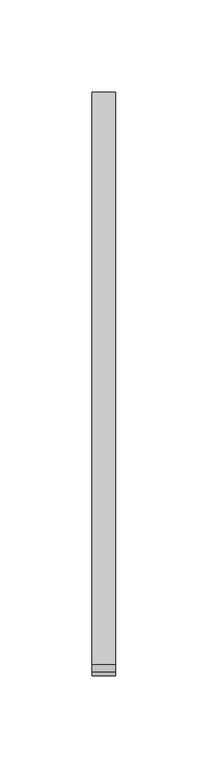
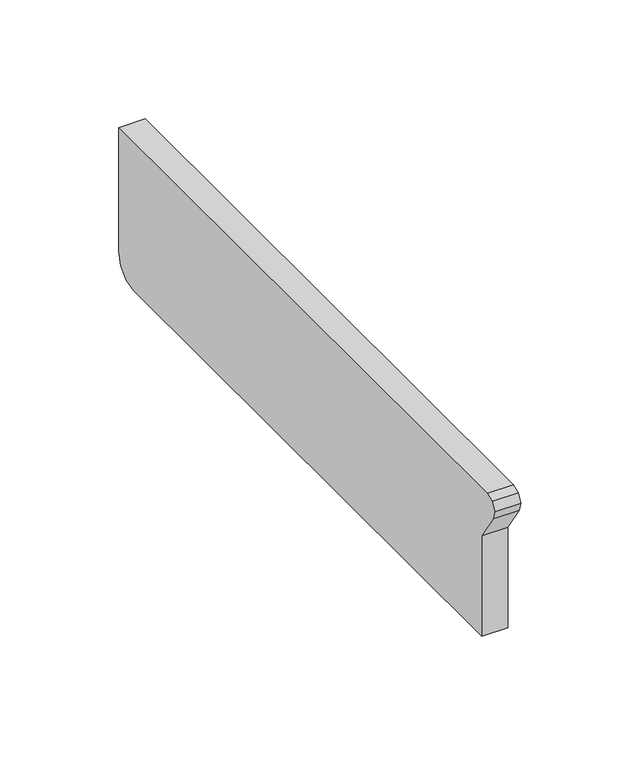
"""IFC4 building model written with IfcOpenShell, lengths in millimetres: furniture geometry."""

from ifc_helpers import new_model, si_unit, frame, origin, place, context, project, spatial, polyline, outline, extrude, source, transform, mapped, element, save


def furniture_39025323(model_context):
    return source(origin(), model_context, "Body", "SweptSolid", [
        extrude(outline(polyline([(-34.4332919, 913.1923887), (-326.8573867, 913.1923887), (-326.8573867, 964.7365263), (-336.5789227, 979.364458), (-337.6843422, 983.74386), (-335.59875, 987.7502742), (-331.377278, 989.3566624), (-21.75256, 989.3566624), (-21.75256, 925.8204703), (-23.4347672, 919.5423827), (-28.0832818, 914.8938681), (-34.4332919, 913.1923887)])), frame((12.3877049, 0.0, 0.0), z_axis=(1.0, 0.0, 0.0), x_axis=(0.0, 1.0, 0.0)), (0.0, 0.0, 1.0), 12.7),
    ])


if __name__ == "__main__":
    model = new_model("IFC4")
    model_context = context("Model", 3, world=origin())
    ifc_project = project(units=[si_unit("LENGTHUNIT", "METRE", prefix="MILLI")], contexts=[model_context])
    site = spatial("IfcSite", under=ifc_project)
    building = spatial("IfcBuilding", under=site)
    placement = place(None, origin())
    furniture_shape = furniture_39025323(model_context)
    element("IfcFurniture", 1, at=placement, inside=building, context=model_context, shape_type="MappedRepresentation", body=[
        mapped(furniture_shape, transform((0.0, 0.0, 0.0), x_axis=(1.0, 0.0, 0.0), y_axis=(0.0, 1.0, 0.0), z_axis=(0.0, 0.0, 1.0))),
    ])
    save(model, "model.ifc")
